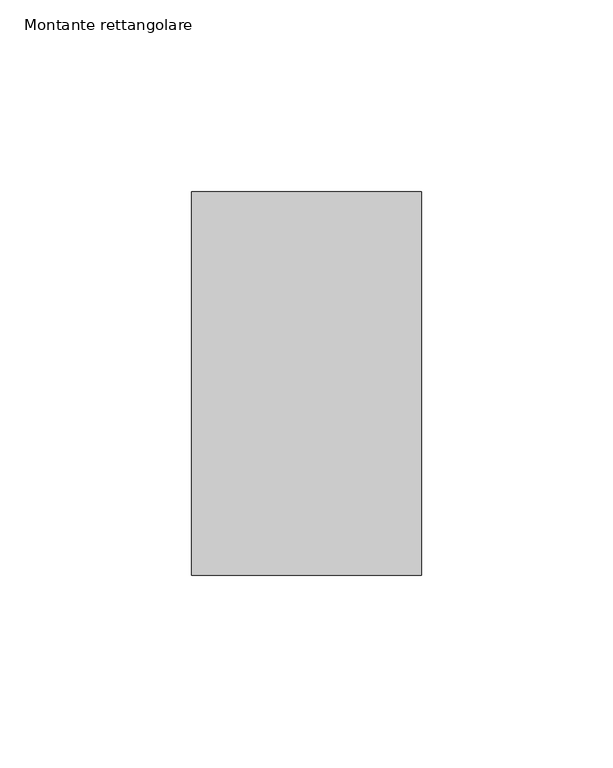
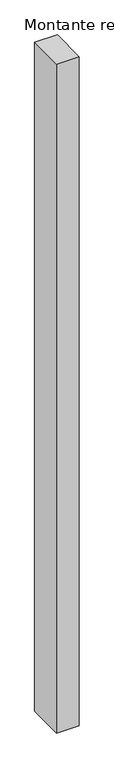
"""IFC4 building model written with IfcOpenShell, lengths in millimetres: member geometry, Montante rettangolare."""

from ifc_helpers import new_model, si_unit, frame, origin, place, context, project, spatial, polyline, outline, extrude, source, transform, mapped, element, save


def montante_rettangolare_67b6647e(model_context):
    return source(origin(), model_context, "Body", "SweptSolid", [
        extrude(outline(polyline([(30.0, 50.0), (30.0, -50.0), (-30.0, -50.0), (-30.0, 50.0), (30.0, 50.0)])), frame((0.0, 0.0, -1876.2402395), z_axis=(0.0, 0.0, 1.0), x_axis=(1.0, 0.0, 0.0)), (0.0, 0.0, 1.0), 1876.2402395),
    ])


if __name__ == "__main__":
    model = new_model("IFC4")
    model_context = context("Model", 3, world=origin())
    ifc_project = project(units=[si_unit("LENGTHUNIT", "METRE", prefix="MILLI")], contexts=[model_context])
    site = spatial("IfcSite", under=ifc_project)
    building = spatial("IfcBuilding", under=site)
    placement = place(None, origin())
    montante_rettangolare_shape = montante_rettangolare_67b6647e(model_context)
    element("IfcMember", 1, ObjectType="Montante rettangolare", at=placement, inside=building, context=model_context, shape_type="MappedRepresentation", body=[
        mapped(montante_rettangolare_shape, transform((0.0, 0.0, 0.0), x_axis=(1.0, 0.0, 0.0), y_axis=(0.0, 1.0, 0.0), z_axis=(0.0, 0.0, 1.0))),
    ])
    save(model, "model.ifc")
